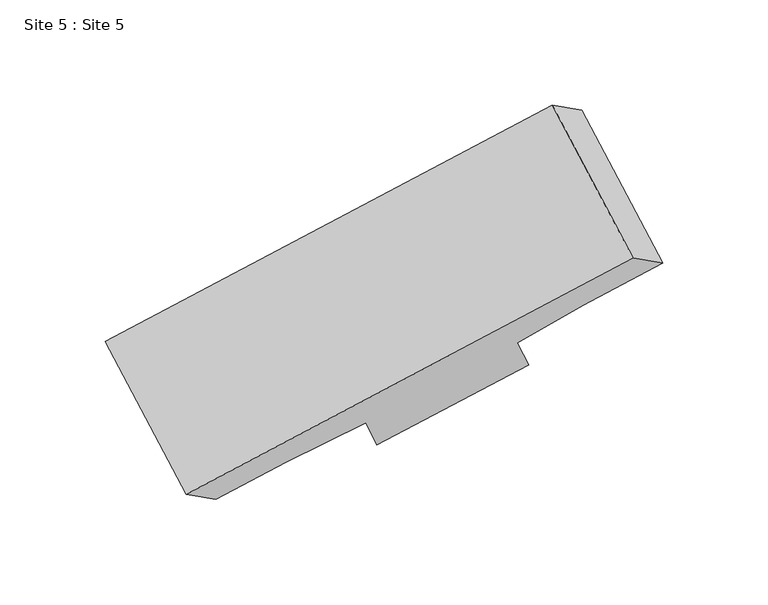
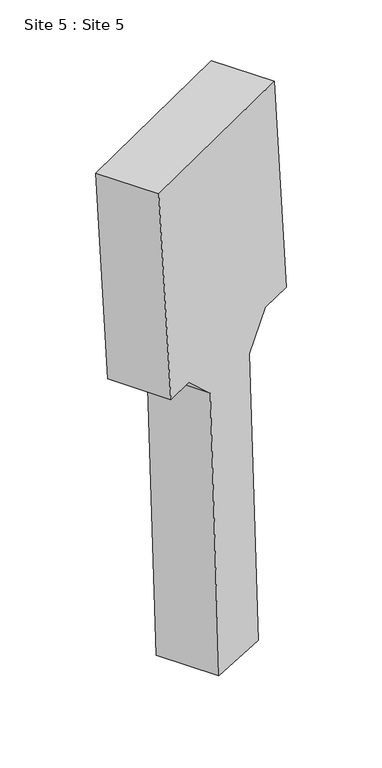
"""IFC4 building model written with IfcOpenShell, lengths in millimetres: geographic element geometry, Site 5 : Site 5."""

from ifc_helpers import new_model, si_unit, frame, origin, place, context, project, spatial, polyline, outline, extrude, source, transform, mapped, element, save


def site_5_site_5_ebcad56a(model_context):
    return source(origin(), model_context, "Body", "SweptSolid", [
        extrude(outline(polyline([(240.3968817, 0.0), (240.3968817, -282.0704537), (197.3410692, -282.0704538), (160.0520984, -321.8404535), (144.6802789, -704.4382752), (63.1939275, -701.1643583), (78.3786659, -323.2228995), (37.6596892, -282.0704538), (0.0, -282.0704537), (0.0, 0.0), (240.3968817, 0.0)])), frame((-46187.8602474, 61614.9396845, 108101.6549742), z_axis=(0.46598507556458946, -0.884266572359344, 0.030504726829149818), x_axis=(0.8833932591641621, 0.46690975642928956, 0.04014509950742512)), (0.0, 0.0, 1.0), 82.2697549),
    ])


if __name__ == "__main__":
    model = new_model("IFC4")
    model_context = context("Model", 3, world=origin())
    ifc_project = project(units=[si_unit("LENGTHUNIT", "METRE", prefix="MILLI")], contexts=[model_context])
    site = spatial("IfcSite", under=ifc_project)
    building = spatial("IfcBuilding", under=site)
    placement = place(None, origin())
    site_5_site_5_shape = site_5_site_5_ebcad56a(model_context)
    element("IfcGeographicElement", 1, ObjectType="Site 5 : Site 5", at=placement, inside=building, context=model_context, shape_type="MappedRepresentation", body=[
        mapped(site_5_site_5_shape, transform((0.0, 0.0, 0.0), x_axis=(1.0, 0.0, 0.0), y_axis=(0.0, 1.0, 0.0), z_axis=(0.0, 0.0, 1.0))),
    ])
    save(model, "model.ifc")
